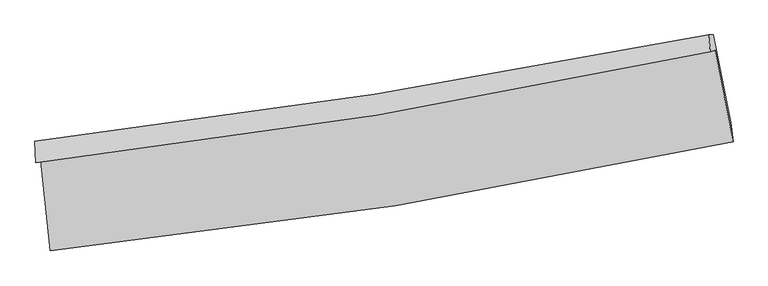
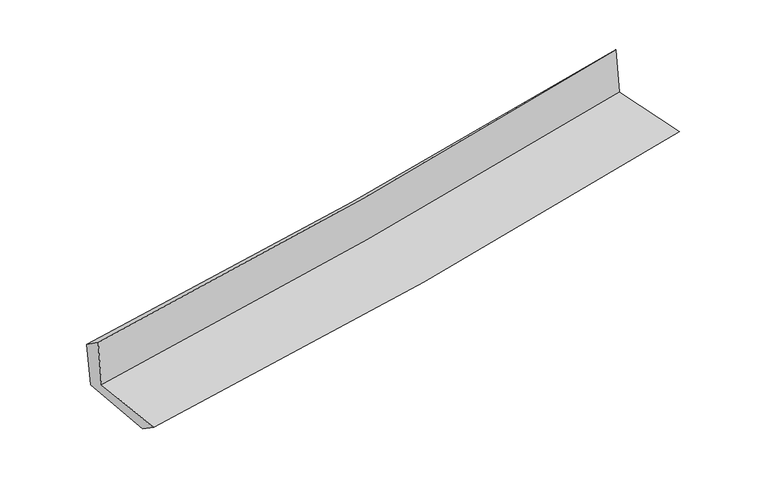
"""IFC4 building model written with IfcOpenShell, lengths in millimetres: proxy geometry."""

from ifc_helpers import new_model, si_unit, frame, origin, place, context, project, spatial, source, transform, mapped, element, save
from ifc_brep_helpers import plane_surface, spline_curve, spline_surface, advanced_brep


def generic_models_8dc3d7d4(model_context):
    return source(origin(), model_context, "Body", "AdvancedBrep", [
        advanced_brep(
        [(-2485.9551787, -1879.8411595, 1659.6235661), (-2415.5293717, -2533.6895937, 1644.5855927), (2552.810882, -1739.1078486, 2105.7247689), (2421.7361587, -1074.0679808, 2108.673832), (-2520.8662476, -1892.8892372, 2063.4562382), (2386.6081243, -1087.1971498, 2515.0162452), (-2527.3930512, -1736.792711, 1952.5794769), (2374.7364062, -963.4883084, 2380.7602874), (-2493.2688234, -1736.8897795, 1572.9563156), (2409.014051, -963.4235871, 2011.2688272), (-2422.5396955, -2380.5106977, 1542.5194612), (2536.4119043, -1599.2213987, 1985.9662448)],
        [
            (0, 1),
            (1, 2, spline_curve(3, [(-2415.5293717, -2533.6895937, 1644.5855927), (-1575.304376646, -2449.185347915, 1729.125694835), (-738.635774527, -2340.160266965, 1810.038445241), (917.391113947, -2074.703075091, 1963.663247859), (1736.83592932, -1918.867574384, 2036.463556172), (2552.810882, -1739.1078486, 2105.7247689)], [4, 2, 4], [0.0, 8.294449148748965, 16.487371877025335])),
            (2, 3),
            (3, 0, spline_curve(3, [(2421.7361587, -1074.0679808, 2108.673832), (1614.83315289, -1248.776892343, 2043.956407389), (804.944266152, -1402.992603973, 1974.437023869), (-830.878385692, -1672.094712457, 1824.873350572), (-1656.886611461, -1786.470060484, 1744.70931249), (-2485.9551787, -1879.8411595, 1659.6235661)], [4, 2, 4], [0.0, 8.19292272827637, 16.487371877025335])),
            (4, 0),
            (3, 5),
            (5, 4, spline_curve(3, [(2386.6081243, -1087.1971498, 2515.0162452), (1580.082895651, -1261.764866426, 2445.928896195), (770.401919263, -1415.902871041, 2374.004518257), (-865.344175177, -1684.976366192, 2223.555264329), (-1691.487989084, -1799.402390262, 2144.959639902), (-2520.8662476, -1892.8892372, 2063.4562382)], [4, 2, 4], [0.0, 8.144363944778405, 16.38965257123184])),
            (6, 4),
            (5, 7),
            (7, 6, spline_curve(3, [(2374.7364062, -963.4883084, 2380.7602874), (1567.357263543, -1122.464180258, 2312.506536359), (757.686641564, -1266.092420411, 2242.925870249), (-876.299366969, -1524.243286136, 2100.232023208), (-1700.671897613, -1638.383180145, 2027.08575253), (-2527.3930512, -1736.792711, 1952.5794769)], [4, 2, 4], [0.0, 8.133371845575578, 16.367532159105814])),
            (8, 6),
            (7, 9),
            (9, 8, spline_curve(3, [(2409.014051, -963.4235871, 2011.2688272), (1601.617774228, -1122.433433058, 1941.310961567), (791.925904722, -1266.092081519, 1870.039049191), (-842.111140603, -1524.296966267, 1723.967647865), (-1666.513562626, -1638.4603817, 1649.13538972), (-2493.2688234, -1736.8897795, 1572.9563156)], [4, 2, 4], [0.0, 8.123487626284003, 16.347641235612564])),
            (10, 8),
            (9, 11),
            (11, 10, spline_curve(3, [(2536.4119043, -1599.2213987, 1985.9662448), (1721.651979922, -1772.667143888, 1914.59506286), (903.591201064, -1924.232110158, 1842.189537828), (-749.310350352, -2185.207528501, 1694.399737016), (-1584.233438209, -2294.072328169, 1618.989667513), (-2422.5396955, -2380.5106977, 1542.5194612)], [4, 2, 4], [0.0, 8.171980858056372, 16.445228625640105])),
            (1, 10),
            (11, 2),
        ],
        [
            spline_surface(3, 3, [[(-2485.9551787, -1879.8411595, 1659.6235661), (-1656.88661154, -1786.470060382, 1744.709312376), (-830.878385809, -1672.094712504, 1824.873350653), (804.944266267, -1402.992603927, 1974.437023789), (1614.833153009, -1248.776892209, 2043.956407495), (2421.7361587, -1074.0679808, 2108.673832)], [(-2462.479909683, -2097.79063758, 1654.610908304), (-1629.692533231, -2007.375156222, 1739.51477317), (-800.130848656, -1894.783230679, 1819.928382173), (842.426548799, -1626.896094329, 1970.845765121), (1655.500745176, -1472.140452892, 2041.45879036), (2465.427733153, -1295.747936728, 2107.690810982)], [(-2439.004640717, -2315.74011562, 1649.598250496), (-1602.498454973, -2228.280252022, 1734.320233952), (-769.383311548, -2117.4717488, 1814.983413745), (879.908831285, -1850.799584678, 1967.254506503), (1696.168337284, -1695.504013593, 2038.96117318), (2509.119307547, -1517.427892672, 2106.707789918)], [(-2415.5293717, -2533.6895937, 1644.5855927), (-1575.304376664, -2449.185347862, 1729.125694746), (-738.635774396, -2340.160266975, 1810.038445265), (917.391113817, -2074.703075081, 1963.663247835), (1736.835929451, -1918.867574277, 2036.463556044), (2552.810882, -1739.1078486, 2105.7247689)]], [4, 4], [4, 2, 4], [0.0, 2.223559848641295], [0.0, 8.294449148748965, 16.487371877025335]),
            spline_surface(3, 3, [[(-2520.8662476, -1892.8892372, 2063.4562382), (-1691.487989098, -1799.402390359, 2144.959639775), (-865.344175055, -1684.976366079, 2223.555264322), (770.401919143, -1415.902871153, 2374.004518264), (1580.082895718, -1261.764866303, 2445.928896066), (2386.6081243, -1087.1971498, 2515.0162452)], [(-2509.229224637, -1888.539877965, 1928.845347487), (-1679.954196582, -1795.091613698, 2011.542863963), (-853.855578655, -1680.682481551, 2090.661293121), (781.916034836, -1411.599448741, 2240.815353461), (1591.666314799, -1257.435541619, 2311.938066529), (2398.317469084, -1082.820760148, 2379.56877412)], [(-2497.592201663, -1884.190518735, 1794.234456813), (-1668.420404055, -1790.780837043, 1878.126088189), (-842.366982209, -1676.388597032, 1957.767321854), (793.430150574, -1407.296026339, 2107.626188592), (1603.249733928, -1253.106216892, 2177.947237032), (2410.026813916, -1078.444370452, 2244.12130308)], [(-2485.9551787, -1879.8411595, 1659.6235661), (-1656.88661154, -1786.470060382, 1744.709312376), (-830.878385809, -1672.094712504, 1824.873350653), (804.944266267, -1402.992603927, 1974.437023789), (1614.833153009, -1248.776892209, 2043.956407495), (2421.7361587, -1074.0679808, 2108.673832)]], [4, 4], [4, 2, 4], [0.0, 1.3150118631418886], [0.0, 8.245288626453434, 16.38965257123184]),
            spline_surface(3, 3, [[(-2527.3930512, -1736.792711, 1952.5794769), (-1700.671897722, -1638.383180173, 2027.085752612), (-876.299367052, -1524.243286099, 2100.232023278), (757.686641646, -1266.092420447, 2242.92587018), (1567.357263491, -1122.464180307, 2312.506536337), (2374.7364062, -963.4883084, 2380.7602874)], [(-2525.217450023, -1788.824886397, 1989.538397356), (-1697.61059487, -1692.056250232, 2066.377048355), (-872.647636378, -1577.82097941, 2141.339770292), (761.925067487, -1316.029237333, 2286.618752874), (1571.59914091, -1168.897742294, 2356.980656256), (2378.693645577, -1004.724588855, 2425.512273343)], [(-2523.041848777, -1840.857061803, 2026.497317744), (-1694.54929195, -1745.7293203, 2105.668344032), (-868.995905729, -1631.398672769, 2182.447517309), (766.163493303, -1365.966054267, 2330.311635571), (1575.841018299, -1215.331304315, 2401.454776147), (2382.650884923, -1045.960869345, 2470.264259257)], [(-2520.8662476, -1892.8892372, 2063.4562382), (-1691.487989098, -1799.402390359, 2144.959639775), (-865.344175055, -1684.976366079, 2223.555264322), (770.401919143, -1415.902871153, 2374.004518264), (1580.082895718, -1261.764866303, 2445.928896066), (2386.6081243, -1087.1971498, 2515.0162452)]], [4, 4], [4, 2, 4], [0.0, 0.6597485465052371], [0.0, 8.234160313530236, 16.367532159105814]),
            spline_surface(3, 3, [[(-2493.2688234, -1736.8897795, 1572.9563156), (-1666.513562497, -1638.460381605, 1649.135389677), (-842.11114051, -1524.296966136, 1723.967647764), (791.92590463, -1266.092081649, 1870.03904929), (1601.617774117, -1122.433432947, 1941.31096168), (2409.014051, -963.4235871, 2011.2688272)], [(-2504.643565977, -1736.857423345, 1699.497369371), (-1677.899674216, -1638.434647806, 1775.118843993), (-853.507216026, -1524.279072804, 1849.389106267), (780.512816966, -1266.092194595, 1994.334656251), (1590.19760391, -1122.443682066, 2065.04281988), (2397.588169402, -963.445160866, 2134.432647248)], [(-2516.018308623, -1736.825067155, 1826.038423129), (-1689.285786003, -1638.408913972, 1901.102298296), (-864.903291536, -1524.261179432, 1974.810564776), (769.099729309, -1266.092307501, 2118.630263219), (1578.777433698, -1122.453931188, 2188.774678137), (2386.162287798, -963.466734634, 2257.596467352)], [(-2527.3930512, -1736.792711, 1952.5794769), (-1700.671897722, -1638.383180173, 2027.085752612), (-876.299367052, -1524.243286099, 2100.232023278), (757.686641646, -1266.092420447, 2242.92587018), (1567.357263491, -1122.464180307, 2312.506536337), (2374.7364062, -963.4883084, 2380.7602874)]], [4, 4], [4, 2, 4], [0.0, 1.2341062265886569], [0.0, 8.22415360932856, 16.347641235612564]),
            spline_surface(3, 3, [[(-2422.5396955, -2380.5106977, 1542.5194612), (-1584.233438278, -2294.072328191, 1618.989667641), (-749.310350424, -2185.207528379, 1694.399737128), (903.591201135, -1924.232110279, 1842.189537718), (1721.651979899, -1772.66714377, 1914.595062806), (2536.4119043, -1599.2213987, 1985.9662448)], [(-2446.116071471, -2165.970391631, 1552.665079302), (-1611.660146356, -2075.53501266, 1629.038241622), (-780.243947124, -1964.904007624, 1704.255707326), (866.369435629, -1704.852100729, 1851.472708227), (1681.640577973, -1555.922573519, 1923.500362449), (2493.945953201, -1387.288794857, 1994.400438951)], [(-2469.692447429, -1951.430085569, 1562.810697498), (-1639.086854419, -1856.997697136, 1639.086815697), (-811.17754381, -1744.60048689, 1714.111677567), (829.147670136, -1485.472091199, 1860.75587878), (1641.629176043, -1339.178003198, 1932.405662038), (2451.480002099, -1175.356190943, 2002.834633049)], [(-2493.2688234, -1736.8897795, 1572.9563156), (-1666.513562497, -1638.460381605, 1649.135389677), (-842.11114051, -1524.296966136, 1723.967647764), (791.92590463, -1266.092081649, 1870.03904929), (1601.617774117, -1122.433432947, 1941.31096168), (2409.014051, -963.4235871, 2011.2688272)]], [4, 4], [4, 2, 4], [0.0, 2.1916593884297138], [0.0, 8.273247767583733, 16.445228625640105]),
            spline_surface(3, 3, [[(-2415.5293717, -2533.6895937, 1644.5855927), (-1575.304376664, -2449.185347862, 1729.125694746), (-738.635774396, -2340.160266975, 1810.038445265), (917.391113817, -2074.703075081, 1963.663247835), (1736.835929451, -1918.867574277, 2036.463556044), (2552.810882, -1739.1078486, 2105.7247689)], [(-2417.866146308, -2482.629961683, 1610.56354888), (-1578.280730544, -2397.481007954, 1692.413685725), (-742.193966407, -2288.509354104, 1771.492209233), (912.791142922, -2024.546086808, 1923.172011142), (1731.774612917, -1870.134097421, 1995.840724955), (2547.344556083, -1692.479031947, 2065.805260857)], [(-2420.202920892, -2431.570329717, 1576.54150502), (-1581.257084398, -2345.776668099, 1655.701676663), (-745.752158413, -2236.858441249, 1732.945973161), (908.191172031, -1974.389098552, 1882.68077441), (1726.713296433, -1821.400620625, 1955.217893895), (2541.878230217, -1645.850215353, 2025.885752843)], [(-2422.5396955, -2380.5106977, 1542.5194612), (-1584.233438278, -2294.072328191, 1618.989667641), (-749.310350424, -2185.207528379, 1694.399737128), (903.591201135, -1924.232110279, 1842.189537718), (1721.651979899, -1772.66714377, 1914.595062806), (2536.4119043, -1599.2213987, 1985.9662448)]], [4, 4], [4, 2, 4], [0.0, 0.635548182738082], [0.0, 8.332571828920983, 16.563150604903818]),
            plane_surface(frame((2446.8862544, -1237.7510456, 2184.5683676), z_axis=(0.9771589812415954, 0.19218909279734833, 0.09068449695851967), x_axis=(-0.09237314670815482, -0.00017441425357184575, 0.9957244454902682))),
            plane_surface(frame((-2477.5920614, -2026.7688631, 1739.2867751), z_axis=(-0.990518700042105, -0.10464128157292657, -0.08901071316237454), x_axis=(-0.10706228869120682, 0.9939894586755558, 0.02286093572180467))),
        ],
        [
            (0, [[1, 2, 3, 4]]),
            (1, [[5, -4, 6, 7]]),
            (2, [[8, -7, 9, 10]]),
            (3, [[11, -10, 12, 13]]),
            (4, [[14, -13, 15, 16]]),
            (5, [[17, -16, 18, -2]]),
            (6, [[-12, -9, -6, -3, -18, -15]]),
            (7, [[-1, -5, -8, -11, -14, -17]]),
        ],
    ),
    ])


if __name__ == "__main__":
    model = new_model("IFC4")
    model_context = context("Model", 3, world=origin())
    ifc_project = project(units=[si_unit("LENGTHUNIT", "METRE", prefix="MILLI")], contexts=[model_context])
    site = spatial("IfcSite", under=ifc_project)
    building = spatial("IfcBuilding", under=site)
    placement = place(None, origin())
    generic_models_shape = generic_models_8dc3d7d4(model_context)
    element("IfcBuildingElementProxy", 1, Name="Generic Models", at=placement, inside=building, context=model_context, shape_type="MappedRepresentation", body=[
        mapped(generic_models_shape, transform((0.0, 0.0, 0.0), x_axis=(1.0, 0.0, 0.0), y_axis=(0.0, 1.0, 0.0), z_axis=(0.0, 0.0, 1.0))),
    ])
    save(model, "model.ifc")
